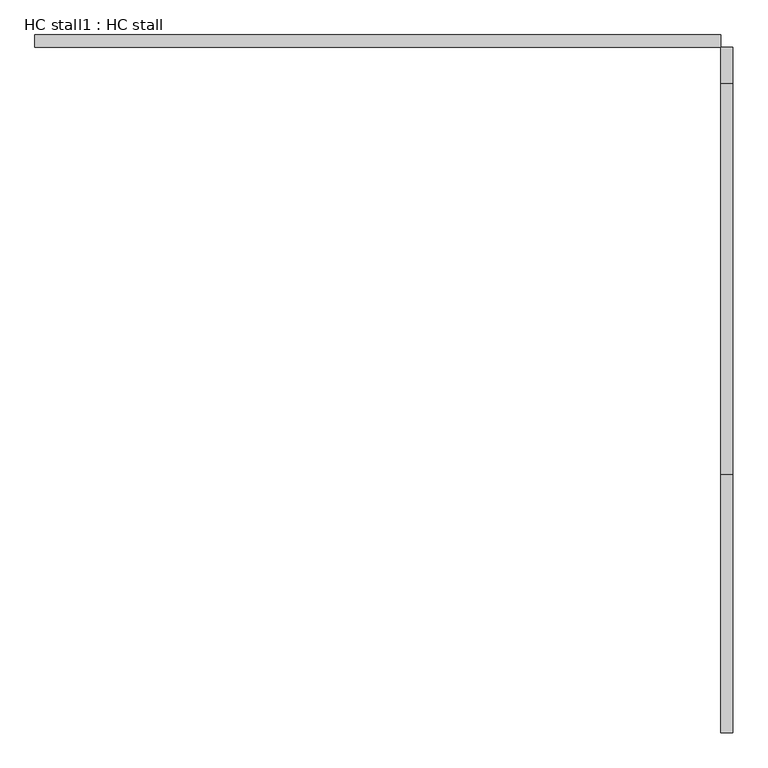
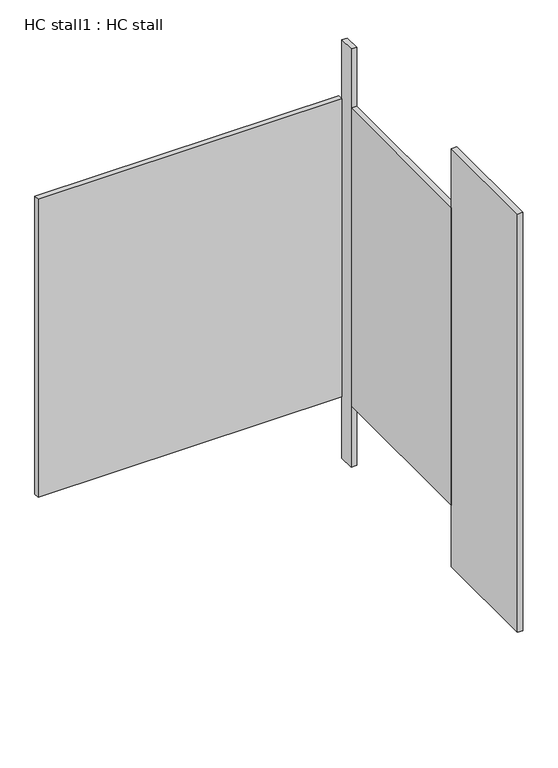
"""IFC4 building model written with IfcOpenShell, lengths in millimetres: proxy geometry, HC stall1 : HC stall."""

from ifc_helpers import new_model, si_unit, frame, origin, origin_with_axes, place, context, project, spatial, polyline, outline, extrude, source, transform, mapped, element, save


def hc_stall1_hc_stall_3beec4e4(model_context):
    return source(origin(), model_context, "Body", "SweptSolid", [
        extrude(outline(polyline([(456785.4504676, -336438.0955223), (458207.8504676, -336438.0955223), (458207.8504676, -336463.4955223), (456785.4504676, -336463.4955223), (456785.4504676, -336438.0955223)])), frame((0.0, 0.0, 304.8), z_axis=(0.0, 0.0, 1.0), x_axis=(1.0, 0.0, 0.0)), (0.0, 0.0, 1.0), 1473.2),
        extrude(outline(polyline([(458207.8504676, -337350.9080223), (458233.2504676, -337350.9080223), (458233.2504676, -337885.8955223), (458207.8504676, -337885.8955223), (458207.8504676, -337350.9080223)])), origin_with_axes(), (0.0, 0.0, 1.0), 2070.1),
        extrude(outline(polyline([(458207.8504676, -336463.4955223), (458233.2504676, -336463.4955223), (458233.2504676, -336538.1080223), (458207.8504676, -336538.1080223), (458207.8504676, -336463.4955223)])), origin_with_axes(), (0.0, 0.0, 1.0), 2070.1),
        extrude(outline(polyline([(458207.8504676, -336538.1080223), (458233.2504676, -336538.1080223), (458233.2504676, -337350.9080223), (458207.8504676, -337350.9080223), (458207.8504676, -336538.1080223)])), frame((0.0, 0.0, 304.8), z_axis=(0.0, 0.0, 1.0), x_axis=(1.0, 0.0, 0.0)), (0.0, 0.0, 1.0), 1473.2),
    ])


if __name__ == "__main__":
    model = new_model("IFC4")
    model_context = context("Model", 3, world=origin())
    ifc_project = project(units=[si_unit("LENGTHUNIT", "METRE", prefix="MILLI")], contexts=[model_context])
    site = spatial("IfcSite", under=ifc_project)
    building = spatial("IfcBuilding", under=site)
    placement = place(None, origin())
    hc_stall1_hc_stall_shape = hc_stall1_hc_stall_3beec4e4(model_context)
    element("IfcBuildingElementProxy", 1, Name="HC stall1 : HC stall", ObjectType="HC stall1 : HC stall", at=placement, inside=building, context=model_context, shape_type="MappedRepresentation", body=[
        mapped(hc_stall1_hc_stall_shape, transform((0.0, 0.0, 0.0), x_axis=(1.0, 0.0, 0.0), y_axis=(0.0, 1.0, 0.0), z_axis=(0.0, 0.0, 1.0))),
    ])
    save(model, "model.ifc")
